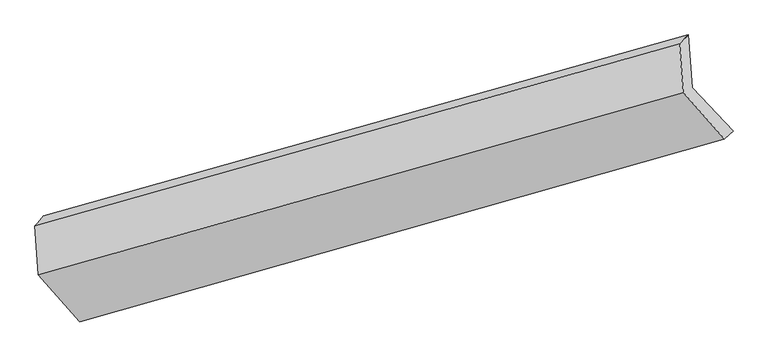
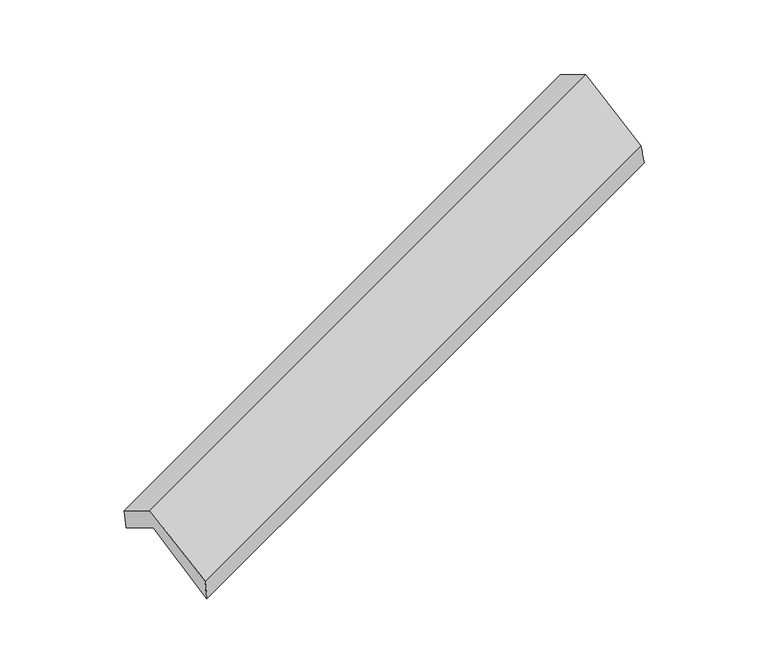
"""IFC4 building model written with IfcOpenShell, lengths in millimetres: proxy geometry."""

from ifc_helpers import new_model, si_unit, frame, origin, place, context, project, spatial, source, transform, mapped, element, save
from ifc_brep_helpers import plane_surface, spline_surface, advanced_brep


def generic_models_ffa1ec28(model_context):
    return source(origin(), model_context, "Body", "AdvancedBrep", [
        advanced_brep(
        [(-5081.3688081, -2101.4464132, 1282.741856), (-5106.5920984, -1756.164477, 1082.1567302), (-775.0946521, -537.5878977, 2655.0499832), (-749.2409573, -891.4994496, 2860.6483238), (-5163.5898264, -1823.8967962, 1294.7080734), (-832.7227847, -596.6906013, 2862.5881115), (-5139.6201192, -2152.0184183, 1485.3242334), (-808.7530775, -924.8122233, 3053.2042715), (-4862.9159643, -2466.2551074, 958.3785675), (-532.0489226, -1239.0489125, 2526.2586056), (-4806.2059013, -2394.5849387, 743.5396038), (-474.0780505, -1184.6379751, 2321.4460717)],
        [
            (0, 1),
            (1, 2),
            (2, 3),
            (3, 0),
            (1, 4),
            (4, 5),
            (5, 2),
            (4, 6),
            (6, 7),
            (7, 5),
            (6, 8),
            (8, 9),
            (9, 7),
            (8, 10),
            (10, 11),
            (11, 9),
            (10, 0),
            (3, 11),
        ],
        [
            plane_surface(frame((-5093.9804532, -1928.8054451, 1182.4492931), z_axis=(0.41292234884845946, -0.434755793457464, -0.8003015268488759), x_axis=(-0.06304045421278302, 0.8629615667921681, -0.5013214890389722))),
            spline_surface(1, 1, [[(-5106.5920984, -1756.164477, 1082.1567302), (-775.0946521, -537.5878977, 2655.0499832)], [(-5163.5898264, -1823.8967962, 1294.7080734), (-832.7227847, -596.6906013, 2862.5881115)]], [2, 2], [2, 2], [0.0, 1.0], [0.0, 1.0]),
            plane_surface(frame((-5151.6049728, -1987.9576072, 1390.0161534), z_axis=(-0.412922348848462, 0.4347557934575116, 0.800301526848849), x_axis=(0.06304045421284599, -0.8629615667921202, 0.501321489039047))),
            plane_surface(frame((-5001.2680417, -2309.1367628, 1221.8514005), z_axis=(0.0479990593585691, -0.8465991003616419, 0.530062311023479), x_axis=(0.4111264228856367, -0.4668921795365056, -0.7829347080650545))),
            spline_surface(1, 1, [[(-4862.9159643, -2466.2551074, 958.3785675), (-532.0489226, -1239.0489125, 2526.2586056)], [(-4806.2059013, -2394.5849387, 743.5396038), (-474.0780505, -1184.6379751, 2321.4460717)]], [2, 2], [2, 2], [0.0, 1.0], [0.0, 1.0]),
            plane_surface(frame((-4943.7873547, -2248.0156759, 1013.1407299), z_axis=(-0.05922039649929961, 0.864026561302556, -0.49995104360541787), x_axis=(-0.409106447249336, 0.4358322207137993, 0.8016746161671232))),
            plane_surface(frame((-695.3230741, -895.7128432, 2713.1992279), z_axis=(0.9103064406844925, 0.25563178524454355, 0.325568079548684), x_axis=(0.263860345075983, 0.24765693833503802, -0.932225165499676))),
            plane_surface(frame((-5026.7154529, -2115.7276918, 1141.1415107), z_axis=(-0.9103064406844974, -0.25563178524447944, -0.3255680795487204), x_axis=(0.4091064472493353, -0.43583222071379946, -0.8016746161671235))),
        ],
        [
            (0, [[1, 2, 3, 4]]),
            (1, [[5, 6, 7, -2]]),
            (2, [[8, 9, 10, -6]]),
            (3, [[11, 12, 13, -9]]),
            (4, [[14, 15, 16, -12]]),
            (5, [[17, -4, 18, -15]]),
            (6, [[-16, -18, -3, -7, -10, -13]]),
            (7, [[-17, -14, -11, -8, -5, -1]]),
        ],
    ),
    ])


if __name__ == "__main__":
    model = new_model("IFC4")
    model_context = context("Model", 3, world=origin())
    ifc_project = project(units=[si_unit("LENGTHUNIT", "METRE", prefix="MILLI")], contexts=[model_context])
    site = spatial("IfcSite", under=ifc_project)
    building = spatial("IfcBuilding", under=site)
    placement = place(None, origin())
    generic_models_shape = generic_models_ffa1ec28(model_context)
    element("IfcBuildingElementProxy", 1, Name="Generic Models", at=placement, inside=building, context=model_context, shape_type="MappedRepresentation", body=[
        mapped(generic_models_shape, transform((0.0, 0.0, 0.0), x_axis=(1.0, 0.0, 0.0), y_axis=(0.0, 1.0, 0.0), z_axis=(0.0, 0.0, 1.0))),
    ])
    save(model, "model.ifc")
